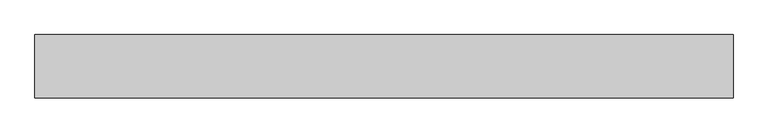
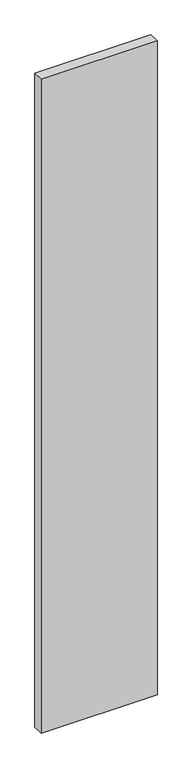
"""IFC4 building model written with IfcOpenShell, lengths in millimetres: proxy geometry."""

from ifc_helpers import new_model, si_unit, frame, origin, place, context, project, spatial, polyline, outline, extrude, source, transform, mapped, element, save


def generic_models_284ba7e9(model_context):
    return source(origin(), model_context, "Body", "SweptSolid", [
        extrude(outline(polyline([(1100.0, 100.0), (1100.0, 0.0), (0.0, 0.0), (0.0, 100.0), (1100.0, 100.0)])), frame((0.0, 0.0, -6550.0), z_axis=(0.0, 0.0, 1.0), x_axis=(1.0, 0.0, 0.0)), (0.0, 0.0, 1.0), 6550.0),
    ])


if __name__ == "__main__":
    model = new_model("IFC4")
    model_context = context("Model", 3, world=origin())
    ifc_project = project(units=[si_unit("LENGTHUNIT", "METRE", prefix="MILLI")], contexts=[model_context])
    site = spatial("IfcSite", under=ifc_project)
    building = spatial("IfcBuilding", under=site)
    placement = place(None, origin())
    generic_models_shape = generic_models_284ba7e9(model_context)
    element("IfcBuildingElementProxy", 1, Name="Generic Models", at=placement, inside=building, context=model_context, shape_type="MappedRepresentation", body=[
        mapped(generic_models_shape, transform((0.0, 0.0, 0.0), x_axis=(1.0, 0.0, 0.0), y_axis=(0.0, 1.0, 0.0), z_axis=(0.0, 0.0, 1.0))),
    ])
    save(model, "model.ifc")
